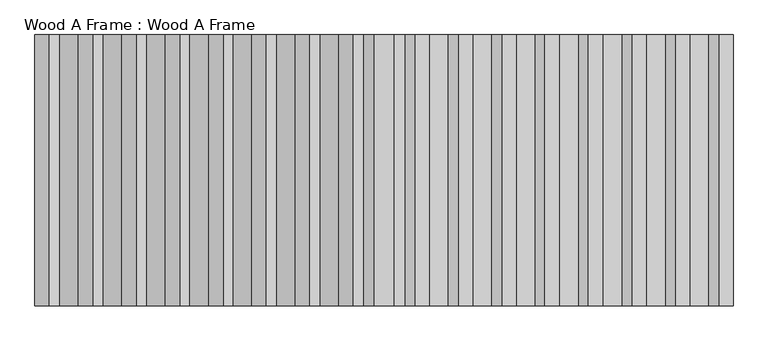
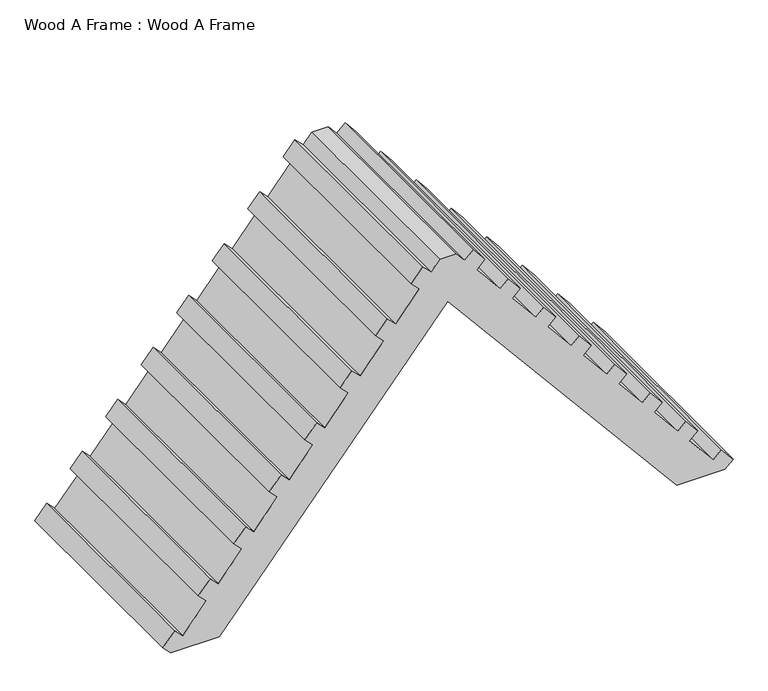
"""IFC4 building model written with IfcOpenShell, lengths in millimetres: proxy geometry, Wood A Frame : Wood A Frame."""

from ifc_helpers import new_model, si_unit, frame, origin, place, context, project, spatial, polyline, outline, extrude, source, transform, mapped, element, save


def wood_a_frame_wood_a_frame_2144062f(model_context):
    return source(origin(), model_context, "Body", "SweptSolid", [
        extrude(outline(polyline([(0.0, 259986.9310429), (1511.3914532, 261246.4239206), (0.0, 262505.9167982), (0.0, 262770.4239206), (44.9012806, 262815.3252012), (122.9525626, 262750.2824662), (78.051282, 262705.3811856), (234.153846, 262575.2957156), (279.0551266, 262620.1969962), (357.1064086, 262555.1542612), (312.205128, 262510.2529806), (468.307692, 262380.1675106), (513.2089726, 262425.0687912), (591.2602547, 262360.0260562), (546.358974, 262315.1247755), (702.4615381, 262185.0393055), (747.3628187, 262229.9405861), (825.4141007, 262164.8978511), (780.5128201, 262119.9965705), (936.6153841, 261989.9111005), (981.5166647, 262034.8123811), (1059.5679467, 261969.7696461), (1014.6666661, 261924.8683655), (1170.7692301, 261794.7828955), (1215.6705107, 261839.6841761), (1293.7217927, 261774.6414411), (1248.8205121, 261729.7401605), (1404.9230761, 261599.6546905), (1449.8243567, 261644.5559711), (1527.8756387, 261579.5132361), (1482.9743581, 261534.6119555), (1639.0769221, 261404.5264855), (1683.9782028, 261449.4277661), (1762.0294848, 261384.3850311), (1717.1282042, 261339.4837505), (1772.9641021, 261292.9538355), (1772.9641021, 261199.8940057), (1717.1282042, 261153.3640907), (1762.0294848, 261108.4628101), (1683.9782028, 261043.4200751), (1639.0769221, 261088.3213557), (1482.9743581, 260958.2358857), (1527.8756387, 260913.3346051), (1449.8243567, 260848.2918701), (1404.9230761, 260893.1931507), (1248.8205121, 260763.1076807), (1293.7217927, 260718.2064001), (1215.6705107, 260653.1636651), (1170.7692301, 260698.0649457), (1014.6666661, 260567.9794757), (1059.5679467, 260523.0781951), (981.5166647, 260458.0354601), (936.6153841, 260502.9367407), (780.5128201, 260372.8512706), (825.4141007, 260327.94999), (747.3628187, 260262.907255), (702.4615381, 260307.8085356), (546.358974, 260177.7230656), (591.2602547, 260132.821785), (513.2089726, 260067.77905), (468.307692, 260112.6803306), (312.205128, 259982.5948606), (357.1064086, 259937.69358), (279.0551266, 259872.650845), (234.153846, 259917.5521256), (78.051282, 259787.4666556), (122.9525626, 259742.565375), (44.9012806, 259677.52264), (0.0, 259722.4239206), (0.0, 259986.9310429)])), frame((0.0, -112790.909309, 0.0), z_axis=(0.0, 1.0, 0.0), x_axis=(0.0, 0.0, 1.0)), (0.0, 0.0, 1.0), 1219.2),
    ])


if __name__ == "__main__":
    model = new_model("IFC4")
    model_context = context("Model", 3, world=origin())
    ifc_project = project(units=[si_unit("LENGTHUNIT", "METRE", prefix="MILLI")], contexts=[model_context])
    site = spatial("IfcSite", under=ifc_project)
    building = spatial("IfcBuilding", under=site)
    placement = place(None, origin())
    wood_a_frame_wood_a_frame_shape = wood_a_frame_wood_a_frame_2144062f(model_context)
    element("IfcBuildingElementProxy", 1, Name="Wood A Frame : Wood A Frame", ObjectType="Wood A Frame : Wood A Frame", at=placement, inside=building, context=model_context, shape_type="MappedRepresentation", body=[
        mapped(wood_a_frame_wood_a_frame_shape, transform((0.0, 0.0, 0.0), x_axis=(1.0, 0.0, 0.0), y_axis=(0.0, 1.0, 0.0), z_axis=(0.0, 0.0, 1.0))),
    ])
    save(model, "model.ifc")
